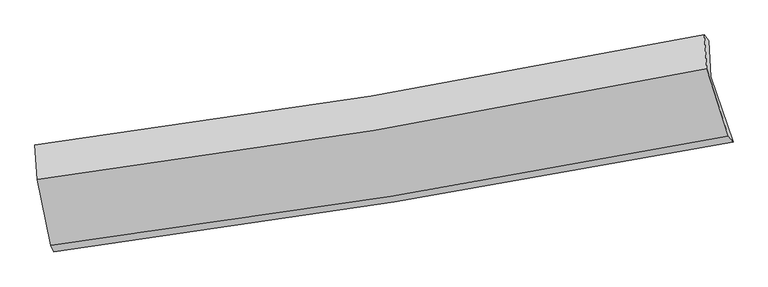
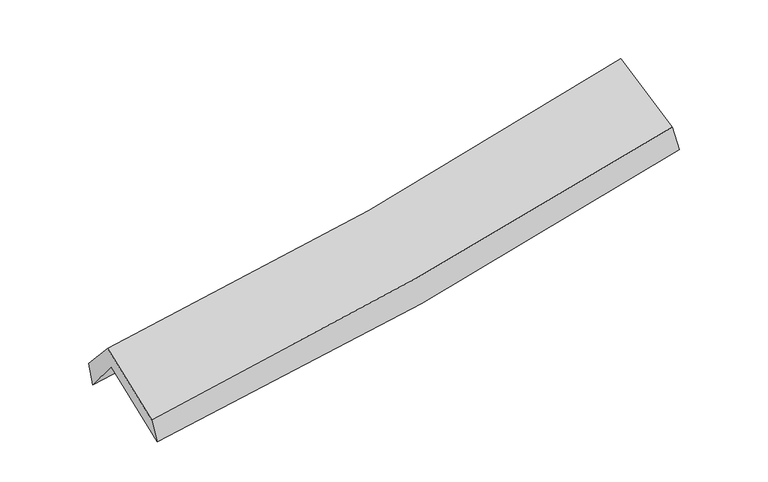
"""IFC4 building model written with IfcOpenShell, lengths in millimetres: proxy geometry."""

import ifcopenshell
import ifcopenshell.guid

model = None  # the IFC model being written
_history = None  # IfcOwnerHistory: only IFC2X3 demands one
_inside = {}  # id of a spatial element -> (the spatial element, [elements in it])
_under = {}  # id of a project, library or spatial element -> (it, [spatial elements below it])
_declared = {}  # id of a project -> (the project, [libraries it declares])
_typed = {}  # id of a type object -> (the type object, [elements of that type])
_made_of = {}  # id of a material, layer set ... -> (it, [elements and type objects made of it])


def new_model(schema):
    """Start an empty IFC model of exactly this schema.

    Asked for "IFC4X3", IfcOpenShell would pick the latest addendum, in which some entities
    have other attributes; the version numbers below select the first issue.
    IFC2X3 requires an IfcOwnerHistory on every rooted entity: one is made here for all.
    """
    global model, _history
    if schema == "IFC4X3":
        model = ifcopenshell.file(schema_version=(4, 3, 0, 0))
    else:
        model = ifcopenshell.file(schema=schema)
    _inside.clear()
    _under.clear()
    _declared.clear()
    _typed.clear()
    _made_of.clear()
    _history = None
    if model.schema == "IFC2X3":
        org = make("IfcOrganization", Name="unknown")
        user = make(
            "IfcPersonAndOrganization",
            ThePerson=make("IfcPerson", FamilyName="unknown"),
            TheOrganization=org,
        )
        app = make(
            "IfcApplication",
            ApplicationDeveloper=org,
            Version="unknown",
            ApplicationFullName="unknown",
            ApplicationIdentifier="unknown",
        )
        _history = make(
            "IfcOwnerHistory",
            OwningUser=user,
            OwningApplication=app,
            ChangeAction="ADDED",
            CreationDate=0,
        )
    return model


def make(cls, **values):
    """One entity of the class cls with the attributes given. An attribute that is None is left unset."""
    return model.create_entity(
        cls, **{name: value for name, value in values.items() if value is not None}
    )


def rooted(cls, **values):
    """An entity with a GlobalId (a new one), such as an element, a storey or a relation."""
    return make(cls, GlobalId=ifcopenshell.guid.new(), OwnerHistory=_history, **values)


def si_unit(unit_type, name, prefix=None):
    """IfcSIUnit, for example si_unit("LENGTHUNIT", "METRE", prefix="MILLI")."""
    return make("IfcSIUnit", UnitType=unit_type, Prefix=prefix, Name=name)


def assignment(units):
    """IfcUnitAssignment: the units of a project."""
    return None if units is None else make("IfcUnitAssignment", Units=units)


def point(xyz):
    """IfcCartesianPoint."""
    return None if xyz is None else make("IfcCartesianPoint", Coordinates=xyz)


def direction(xyz):
    """IfcDirection."""
    return None if xyz is None else make("IfcDirection", DirectionRatios=xyz)


def frame(location, z_axis=None, x_axis=None):
    """IfcAxis2Placement3D, a coordinate frame: its origin and axes. An axis left out is left unset."""
    return make(
        "IfcAxis2Placement3D",
        Location=point(location),
        Axis=direction(z_axis),
        RefDirection=direction(x_axis),
    )


def origin():
    """The frame at (0, 0, 0) with its axes left unset."""
    return frame((0.0, 0.0, 0.0))


def place(relative_to, where):
    """IfcLocalPlacement: puts the frame where relative to a parent placement (None: the world)."""
    return make(
        "IfcLocalPlacement", PlacementRelTo=relative_to, RelativePlacement=where
    )


def context(
    kind, dimensions, precision=None, world=None, true_north=None, identifier=None
):
    """IfcGeometricRepresentationContext, for example the 3D "Model" context."""
    return make(
        "IfcGeometricRepresentationContext",
        ContextIdentifier=identifier,
        ContextType=kind,
        CoordinateSpaceDimension=dimensions,
        Precision=precision,
        WorldCoordinateSystem=world,
        TrueNorth=true_north,
    )


def project(units=None, contexts=None):
    """IfcProject with its units and contexts."""
    return rooted(
        "IfcProject",
        Name="project",
        RepresentationContexts=contexts,
        UnitsInContext=assignment(units),
    )


def spatial(cls, under=None, at=None, **own):
    """A site, building, storey or space (cls), placed at a placement, below another one or the project."""
    s = rooted(cls, ObjectPlacement=at, **own)
    if under is not None:
        _under.setdefault(under.id(), (under, []))[1].append(s)
    return s


def shape(context_of_items, identifier, shape_type, items):
    """IfcShapeRepresentation: the items that make up one representation, for example the "Body"."""
    return make(
        "IfcShapeRepresentation",
        ContextOfItems=context_of_items,
        RepresentationIdentifier=identifier,
        RepresentationType=shape_type,
        Items=items,
    )


def source(mapping_origin, context_of_items, identifier, shape_type, items):
    """IfcRepresentationMap: a shape defined once, which mapped items show again and again."""
    return make(
        "IfcRepresentationMap",
        MappingOrigin=mapping_origin,
        MappedRepresentation=shape(context_of_items, identifier, shape_type, items),
    )


def transform(
    local_origin,
    x_axis=None,
    y_axis=None,
    z_axis=None,
    scale=None,
    scale2=None,
    scale3=None,
    uniform=True,
):
    """IfcCartesianTransformationOperator3D, or its non-uniform kind. x_axis, y_axis, z_axis: its Axis1, 2, 3."""
    if uniform:
        return make(
            "IfcCartesianTransformationOperator3D",
            Axis1=direction(x_axis),
            Axis2=direction(y_axis),
            LocalOrigin=point(local_origin),
            Scale=scale,
            Axis3=direction(z_axis),
        )
    return make(
        "IfcCartesianTransformationOperator3DnonUniform",
        Axis1=direction(x_axis),
        Axis2=direction(y_axis),
        LocalOrigin=point(local_origin),
        Scale=scale,
        Axis3=direction(z_axis),
        Scale2=scale2,
        Scale3=scale3,
    )


def mapped(mapping_source, mapping_target):
    """IfcMappedItem: shows the shape of a source again, moved by a transform."""
    return make(
        "IfcMappedItem", MappingSource=mapping_source, MappingTarget=mapping_target
    )


def made_of(thing, what):
    """Note that an element or type object is made of a material, layer set ...; save() writes the relation."""
    if what is not None:
        _made_of.setdefault(what.id(), (what, []))[1].append(thing)
    return thing


def element(
    cls,
    number,
    at=None,
    inside=None,
    cuts=None,
    type_object=None,
    material=None,
    context=None,
    identifier="Body",
    shape_type=None,
    held_by="IfcProductDefinitionShape",
    body=None,
    shapes=None,
    **own,
):
    """One element of the class cls, such as IfcWall. Its Tag is "e" and its number.

    at: its placement. inside: the storey or other place that contains it. cuts: it is an
    opening in that element (IfcRelVoidsElement). A single representation is given by context,
    identifier, shape_type and body (its items); several are given by shapes. held_by: the class
    of the entity that holds the representations. save() writes the other relations.
    """
    e = rooted(cls, Tag="e%d" % number, ObjectPlacement=at, **own)
    if body is not None:
        shapes = [shape(context, identifier, shape_type, body)]
    if shapes is not None:
        e.Representation = make(held_by, Representations=shapes)
    if inside is not None:
        _inside.setdefault(inside.id(), (inside, []))[1].append(e)
    if cuts is not None:
        rooted(
            "IfcRelVoidsElement", RelatingBuildingElement=cuts, RelatedOpeningElement=e
        )
    if type_object is not None:
        _typed.setdefault(type_object.id(), (type_object, []))[1].append(e)
    return made_of(e, material)


def aggregate(whole, parts):
    """IfcRelAggregates: a whole, such as a stair, and the parts it consists of."""
    return rooted("IfcRelAggregates", RelatingObject=whole, RelatedObjects=parts)


def save(model, path):
    """Write the relations noted so far, then the file.

    IfcRelAggregates (storeys below a building ...), IfcRelContainedInSpatialStructure (elements
    in a storey), IfcRelDefinesByType, IfcRelAssociatesMaterial and IfcRelDeclares: one each for
    every whole, place, type object, material and project.
    """
    for whole, parts in _under.values():
        aggregate(whole, parts)
    for where, things in _inside.values():
        rooted(
            "IfcRelContainedInSpatialStructure",
            RelatedElements=things,
            RelatingStructure=where,
        )
    for kind, things in _typed.values():
        rooted("IfcRelDefinesByType", RelatedObjects=things, RelatingType=kind)
    for what, things in _made_of.values():
        rooted("IfcRelAssociatesMaterial", RelatedObjects=things, RelatingMaterial=what)
    for by, libraries in _declared.values():
        rooted("IfcRelDeclares", RelatingContext=by, RelatedDefinitions=libraries)
    model.write(path)


def plane_surface(at):
    """IfcPlane: the flat surface through the origin of the frame at, square to its z axis."""
    return make("IfcPlane", Position=at)


def spline_curve(degree, points, multiplicities, knots, weights=None):
    """IfcBSplineCurveWithKnots; with weights, IfcRationalBSplineCurveWithKnots."""
    own = dict(
        Degree=degree,
        ControlPointsList=[point(p) for p in points],
        CurveForm="UNSPECIFIED",
        ClosedCurve=False,
        SelfIntersect=False,
        KnotMultiplicities=multiplicities,
        Knots=knots,
        KnotSpec="UNSPECIFIED",
    )
    if weights is None:
        return make("IfcBSplineCurveWithKnots", **own)
    return make("IfcRationalBSplineCurveWithKnots", WeightsData=weights, **own)


def spline_surface(u_degree, v_degree, points, u_multiplicities, v_multiplicities, u_knots, v_knots, weights=None):
    """IfcBSplineSurfaceWithKnots; with weights, IfcRationalBSplineSurfaceWithKnots. points: one row for each step in u."""
    own = dict(
        UDegree=u_degree,
        VDegree=v_degree,
        ControlPointsList=[[point(p) for p in row] for row in points],
        SurfaceForm="UNSPECIFIED",
        UClosed=False,
        VClosed=False,
        SelfIntersect=False,
        UMultiplicities=u_multiplicities,
        VMultiplicities=v_multiplicities,
        UKnots=u_knots,
        VKnots=v_knots,
        KnotSpec="UNSPECIFIED",
    )
    if weights is None:
        return make("IfcBSplineSurfaceWithKnots", **own)
    return make("IfcRationalBSplineSurfaceWithKnots", WeightsData=weights, **own)


def advanced_brep(points, edges, surfaces, faces):
    """IfcAdvancedBrep: a solid bounded by faces that lie on surfaces and meet in shared edges.

    An edge is (start, end): straight between two places in points (the first is 0);
    or (start, end, curve); or (start, end, curve, False) where it runs against its curve.
    A face is (place in surfaces, loops), or (place, loops, False) where it looks against
    its surface's normal. A loop lists edges by number (the first is 1), with a minus sign
    where the edge is run from its end to its start. The first loop is the outer one.
    """
    corners = [point(p) for p in points]
    vertices = [make("IfcVertexPoint", VertexGeometry=c) for c in corners]
    made = []
    for start, end, *more in edges:
        made.append(
            make(
                "IfcEdgeCurve",
                EdgeStart=vertices[start],
                EdgeEnd=vertices[end],
                EdgeGeometry=more[0] if more else make("IfcPolyline", Points=[corners[start], corners[end]]),
                SameSense=more[1] if len(more) > 1 else True,
            )
        )
    hull = []
    for where, loops, *sense in faces:
        bounds = []
        for j, loop in enumerate(loops):
            ring = [make("IfcOrientedEdge", EdgeElement=made[abs(k) - 1], Orientation=k > 0) for k in loop]
            bounds.append(
                make(
                    "IfcFaceOuterBound" if j == 0 else "IfcFaceBound",
                    Bound=make("IfcEdgeLoop", EdgeList=ring),
                    Orientation=True,
                )
            )
        hull.append(make("IfcAdvancedFace", Bounds=bounds, FaceSurface=surfaces[where], SameSense=sense[0] if sense else True))
    return make("IfcAdvancedBrep", Outer=make("IfcClosedShell", CfsFaces=hull))


def generic_models_063ec8a8(model_context):
    return source(origin(), model_context, "Body", "AdvancedBrep", [
        advanced_brep(
        [(-2406.4266919, -2479.4996209, 1489.1755375), (-2511.9431, -1971.4883897, 1907.8709003), (2436.8084168, -1187.5588826, 2374.2114769), (2600.0819757, -1668.9834974, 1935.2094531), (-2526.4235322, -1717.4916194, 1595.0997925), (2421.6535386, -923.367801, 2050.1593216), (-2543.9214592, -1690.6942027, 1779.9465906), (2388.0500117, -878.746501, 2231.0208526), (-2527.2977249, -1945.7957976, 2065.7011628), (2405.6871238, -1126.6420791, 2509.1535118), (-2426.8039975, -2431.6684126, 1671.0410013), (2565.3647229, -1623.5501419, 2123.1735218)],
        [
            (0, 1),
            (1, 2, spline_curve(3, [(-2511.9431, -1971.4883897, 1907.8709003), (-1681.671719943, -1864.38212915, 1963.888848553), (-854.31888058, -1745.535196341, 2030.737835667), (795.270060625, -1484.245886503, 2186.165759001), (1617.501060463, -1341.782983413, 2274.763631104), (2436.8084168, -1187.5588826, 2374.2114769)], [4, 2, 4], [0.0, 8.302072161086102, 16.61139820915782])),
            (2, 3),
            (3, 0, spline_curve(3, [(2600.0819757, -1668.9834974, 1935.2094531), (1771.483793507, -1828.223581601, 1825.523806335), (939.792109114, -1975.410867535, 1733.502969307), (-729.049512384, -2245.561874372, 1584.855825921), (-1566.194050359, -2368.546629253, 1528.198691299), (-2406.4266919, -2479.4996209, 1489.1755375)], [4, 2, 4], [0.0, 8.309326048071718, 16.61139820915782])),
            (1, 4),
            (4, 5, spline_curve(3, [(-2526.4235322, -1717.4916194, 1595.0997925), (-1694.272185191, -1615.324488111, 1641.487811412), (-866.035106731, -1498.099414372, 1702.5804643), (783.330760164, -1233.417799716, 1854.241266736), (1604.45270537, -1085.934934344, 1944.835123129), (2421.6535386, -923.367801, 2050.1593216)], [4, 2, 4], [0.0, 8.253546977114253, 16.514305442618486])),
            (5, 2),
            (4, 6),
            (6, 7, spline_curve(3, [(-2543.9214592, -1690.6942027, 1779.9465906), (-1714.349787107, -1585.237247214, 1828.527918445), (-888.744071084, -1464.882516411, 1890.385889598), (755.253352818, -1194.259327503, 2040.720766031), (1573.638126922, -1043.964824456, 2129.220882238), (2388.0500117, -878.746501, 2231.0208526)], [4, 2, 4], [0.0, 8.243089329837076, 16.493381010756])),
            (7, 5),
            (6, 8),
            (8, 9, spline_curve(3, [(-2527.2977249, -1945.7957976, 2065.7011628), (-1697.424931597, -1841.349898507, 2115.469247604), (-871.584214472, -1720.900939693, 2177.286251187), (772.751117364, -1447.877677554, 2325.08263653), (1591.238683163, -1295.275397046, 2411.083082375), (2405.6871238, -1126.6420791, 2509.1535118)], [4, 2, 4], [0.0, 8.233242015912788, 16.47367777887449])),
            (9, 7),
            (8, 10),
            (10, 11, spline_curve(3, [(-2426.8039975, -2431.6684126, 1671.0410013), (-1589.662249661, -2326.420019311, 1730.802073036), (-755.257785301, -2206.488455528, 1798.340467887), (908.803240035, -1937.141368636, 1949.037711581), (1738.455015951, -1787.700175247, 2032.210156712), (2565.3647229, -1623.5501419, 2123.1735218)], [4, 2, 4], [0.0, 8.280814874625678, 16.56886506280728])),
            (11, 9),
            (10, 0),
            (3, 11),
        ],
        [
            spline_surface(3, 3, [[(-2406.4266919, -2479.4996209, 1489.1755375), (-1566.194050408, -2368.546629262, 1528.198691239), (-729.049512289, -2245.561874269, 1584.855826005), (939.792109019, -1975.410867638, 1733.502969223), (1771.483793448, -1828.223581496, 1825.523806346), (2600.0819757, -1668.9834974, 1935.2094531)], [(-2441.598827936, -2310.162543817, 1628.740658444), (-1604.686606878, -2200.491795896, 1673.428743717), (-770.805968372, -2078.886314998, 1733.483162518), (891.618092926, -1811.689207228, 1884.390565815), (1720.15621577, -1666.076715486, 1975.270414567), (2545.657456072, -1508.508625801, 2081.54346103)], [(-2476.770963964, -2140.825466783, 1768.305779356), (-1643.179163341, -2032.436962579, 1818.658796163), (-812.562424533, -1912.210755717, 1882.110499092), (843.444076755, -1647.967546808, 2035.278162471), (1668.828638077, -1503.929849472, 2125.017022797), (2491.232936428, -1348.033754199, 2227.87746897)], [(-2511.9431, -1971.4883897, 1907.8709003), (-1681.671719812, -1864.382129213, 1963.888848641), (-854.318880616, -1745.535196446, 2030.737835604), (795.270060662, -1484.245886398, 2186.165759063), (1617.501060399, -1341.782983462, 2274.763631018), (2436.8084168, -1187.5588826, 2374.2114769)]], [4, 4], [4, 2, 4], [0.0, 2.238818934583766], [0.0, 8.302072161086102, 16.61139820915782]),
            spline_surface(3, 3, [[(-2511.9431, -1971.4883897, 1907.8709003), (-1681.671719812, -1864.382129213, 1963.888848641), (-854.318880616, -1745.535196446, 2030.737835604), (795.270060662, -1484.245886398, 2186.165759063), (1617.501060399, -1341.782983462, 2274.763631018), (2436.8084168, -1187.5588826, 2374.2114769)], [(-2516.769910716, -1886.822799615, 1803.613864351), (-1685.871874893, -1781.362915522, 1856.421836171), (-858.224289312, -1663.05660237, 1921.352045198), (791.290293773, -1400.63652421, 2075.524261609), (1613.151608669, -1256.500300406, 2164.787461792), (2431.756790721, -1099.495188755, 2266.194091826)], [(-2521.596721484, -1802.157209485, 1699.356828449), (-1690.072030027, -1698.343701785, 1748.954823749), (-862.129697937, -1580.578008312, 1811.966254767), (787.310526954, -1317.02716204, 1964.88276413), (1608.802156977, -1171.217617283, 2054.811292487), (2426.705164679, -1011.431494845, 2158.176706674)], [(-2526.4235322, -1717.4916194, 1595.0997925), (-1694.272185109, -1615.324488094, 1641.487811279), (-866.035106632, -1498.099414236, 1702.580464361), (783.330760065, -1233.417799852, 1854.241266675), (1604.452705247, -1085.934934227, 1944.835123261), (2421.6535386, -923.367801, 2050.1593216)]], [4, 4], [4, 2, 4], [0.0, 1.3572349654240357], [0.0, 8.253546977114253, 16.514305442618486]),
            spline_surface(3, 3, [[(-2526.4235322, -1717.4916194, 1595.0997925), (-1694.272185109, -1615.324488094, 1641.487811279), (-866.035106632, -1498.099414236, 1702.580464361), (783.330760065, -1233.417799852, 1854.241266675), (1604.452705247, -1085.934934227, 1944.835123261), (2421.6535386, -923.367801, 2050.1593216)], [(-2532.256174546, -1708.559147174, 1656.715391883), (-1700.96471916, -1605.295407828, 1703.83451373), (-873.604761421, -1487.027114959, 1765.18227277), (773.971624309, -1220.36497575, 1916.401099781), (1594.181179139, -1071.944897649, 2006.297042942), (2410.452362988, -908.494034311, 2110.446498586)], [(-2538.088816854, -1699.626674926, 1718.330991217), (-1707.657253176, -1595.266327541, 1766.181216131), (-881.174416241, -1475.954815664, 1827.784081203), (764.612488521, -1207.312151629, 1978.560932911), (1583.909652966, -1057.954861137, 2067.758962666), (2399.251187312, -893.620267689, 2170.733675614)], [(-2543.9214592, -1690.6942027, 1779.9465906), (-1714.349787227, -1585.237247276, 1828.527918581), (-888.74407103, -1464.882516387, 1890.385889612), (755.253352764, -1194.259327527, 2040.720766017), (1573.638126857, -1043.964824559, 2129.220882347), (2388.0500117, -878.746501, 2231.0208526)]], [4, 4], [4, 2, 4], [0.0, 0.6308838733495641], [0.0, 8.243089329837076, 16.493381010756]),
            spline_surface(3, 3, [[(-2543.9214592, -1690.6942027, 1779.9465906), (-1714.349787227, -1585.237247276, 1828.527918581), (-888.74407103, -1464.882516387, 1890.385889612), (755.253352764, -1194.259327527, 2040.720766017), (1573.638126857, -1043.964824559, 2129.220882347), (2388.0500117, -878.746501, 2231.0208526)], [(-2538.380214452, -1775.728067667, 1875.19811465), (-1708.7081687, -1670.608131057, 1924.175028228), (-883.024118892, -1550.221990806, 1986.019343495), (761.085940976, -1278.798777518, 2135.508056144), (1579.504979, -1127.735015377, 2223.174949026), (2393.929049075, -961.378360365, 2323.731739011)], [(-2532.838969648, -1860.761932633, 1970.44963875), (-1703.066550119, -1755.979014837, 2019.822137926), (-877.304166699, -1635.561465277, 2081.652797408), (766.918529242, -1363.338227559, 2230.295346301), (1585.371831119, -1211.5052062, 2317.12901567), (2399.808086425, -1044.010219735, 2416.442625389)], [(-2527.2977249, -1945.7957976, 2065.7011628), (-1697.424931592, -1841.349898618, 2115.469247573), (-871.584214561, -1720.900939696, 2177.28625129), (772.751117454, -1447.87767755, 2325.082636428), (1591.238683262, -1295.275397018, 2411.083082348), (2405.6871238, -1126.6420791, 2509.1535118)]], [4, 4], [4, 2, 4], [0.0, 1.2571083786760253], [0.0, 8.233242015912788, 16.47367777887449]),
            spline_surface(3, 3, [[(-2527.2977249, -1945.7957976, 2065.7011628), (-1697.424931592, -1841.349898618, 2115.469247573), (-871.584214561, -1720.900939696, 2177.28625129), (772.751117454, -1447.87767755, 2325.082636428), (1591.238683262, -1295.275397018, 2411.083082348), (2405.6871238, -1126.6420791, 2509.1535118)], [(-2493.799815746, -2107.753335907, 1934.147775634), (-1661.504037592, -2003.039938813, 1987.246856041), (-832.80873816, -1882.763444988, 2050.970990206), (818.101825048, -1610.965574556, 2199.734328116), (1640.310794188, -1459.416989808, 2284.792107087), (2458.912990155, -1292.278100047, 2380.493515127)], [(-2460.301906654, -2269.710874293, 1802.594388466), (-1625.583143653, -2164.729979088, 1859.024464507), (-794.033261831, -2044.625950293, 1924.655729091), (863.452532569, -1774.053471574, 2074.386019773), (1689.382905149, -1623.558582555, 2158.501131844), (2512.138856545, -1457.914120953, 2251.833518473)], [(-2426.8039975, -2431.6684126, 1671.0410013), (-1589.662249653, -2326.420019283, 1730.802072975), (-755.257785429, -2206.488455584, 1798.340468007), (908.803240163, -1937.141368579, 1949.037711462), (1738.455016076, -1787.700175344, 2032.210156582), (2565.3647229, -1623.5501419, 2123.1735218)]], [4, 4], [4, 2, 4], [0.0, 2.064618182731401], [0.0, 8.280814874625678, 16.56886506280728]),
            spline_surface(3, 3, [[(-2426.8039975, -2431.6684126, 1671.0410013), (-1589.662249653, -2326.420019283, 1730.802072975), (-755.257785429, -2206.488455584, 1798.340468007), (908.803240163, -1937.141368579, 1949.037711462), (1738.455016076, -1787.700175344, 2032.210156582), (2565.3647229, -1623.5501419, 2123.1735218)], [(-2420.011562305, -2447.61214872, 1610.419180038), (-1581.839516576, -2340.46222263, 1663.267612401), (-746.521694401, -2219.512928497, 1727.178920693), (919.132863096, -1949.897868283, 1877.192797402), (1749.464608523, -1801.207977382, 1963.314706489), (2576.93714049, -1638.69459372, 2060.518832219)], [(-2413.219127095, -2463.55588478, 1549.797358762), (-1574.016783485, -2354.504425916, 1595.733151813), (-737.785603317, -2232.537401357, 1656.017373319), (929.462486086, -1962.654367934, 1805.347883282), (1760.474201001, -1814.715779459, 1894.419256439), (2588.50955811, -1653.83904558, 1997.864142681)], [(-2406.4266919, -2479.4996209, 1489.1755375), (-1566.194050408, -2368.546629262, 1528.198691239), (-729.049512289, -2245.561874269, 1584.855826005), (939.792109019, -1975.410867638, 1733.502969223), (1771.483793448, -1828.223581496, 1825.523806346), (2600.0819757, -1668.9834974, 1935.2094531)]], [4, 4], [4, 2, 4], [0.0, 0.7212495181926886], [0.0, 8.339132987876452, 16.68555224441913]),
            plane_surface(frame((2469.6076316, -1234.8081505, 2203.8213563), z_axis=(0.9688579629689964, 0.2121691903756912, 0.12766550922974645), x_axis=(0.24597968862954633, -0.7654755037059094, -0.5945933450753511))),
            plane_surface(frame((-2490.4694176, -2039.4396738, 1751.4724975), z_axis=(-0.9867352278457515, -0.14533025777454744, -0.07233744744858306), x_axis=(-0.10773035356380736, 0.2528731272366334, 0.9614828924336525))),
        ],
        [
            (0, [[1, 2, 3, 4]]),
            (1, [[5, 6, 7, -2]]),
            (2, [[8, 9, 10, -6]]),
            (3, [[11, 12, 13, -9]]),
            (4, [[14, 15, 16, -12]]),
            (5, [[17, -4, 18, -15]]),
            (6, [[-16, -18, -3, -7, -10, -13]]),
            (7, [[-17, -14, -11, -8, -5, -1]]),
        ],
    ),
    ])


if __name__ == "__main__":
    model = new_model("IFC4")
    model_context = context("Model", 3, world=origin())
    ifc_project = project(units=[si_unit("LENGTHUNIT", "METRE", prefix="MILLI")], contexts=[model_context])
    site = spatial("IfcSite", under=ifc_project)
    building = spatial("IfcBuilding", under=site)
    placement = place(None, origin())
    generic_models_shape = generic_models_063ec8a8(model_context)
    element("IfcBuildingElementProxy", 1, Name="Generic Models", at=placement, inside=building, context=model_context, shape_type="MappedRepresentation", body=[
        mapped(generic_models_shape, transform((0.0, 0.0, 0.0), x_axis=(1.0, 0.0, 0.0), y_axis=(0.0, 1.0, 0.0), z_axis=(0.0, 0.0, 1.0))),
    ])
    save(model, "model.ifc")
